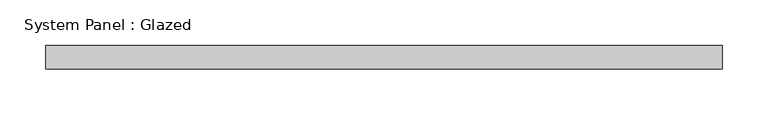
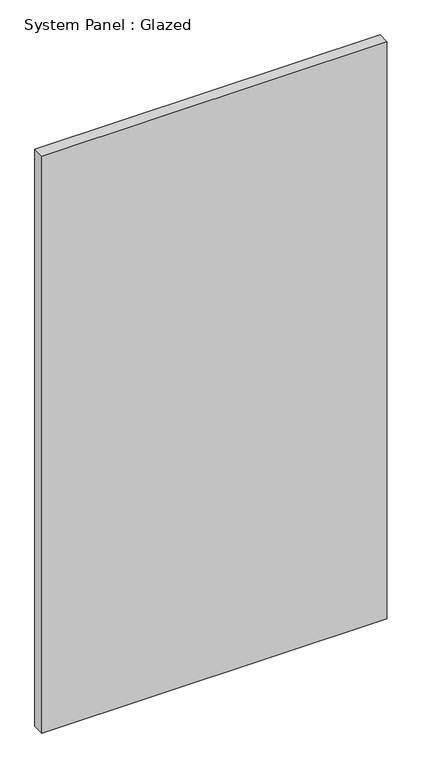
"""IFC4 building model written with IfcOpenShell, lengths in millimetres: plate geometry, System Panel : Glazed."""

from ifc_helpers import new_model, si_unit, origin, origin_with_axes, place, context, project, spatial, polyline, outline, extrude, source, transform, mapped, element, save


def system_panel_glazed_6de6b962(model_context):
    return source(origin(), model_context, "Body", "SweptSolid", [
        extrude(outline(polyline([(368.3, -12.7), (-368.3, -12.7), (-368.3, 12.7), (368.3, 12.7), (368.3, -12.7)])), origin_with_axes(), (0.0, 0.0, 1.0), 1301.75),
    ])


if __name__ == "__main__":
    model = new_model("IFC4")
    model_context = context("Model", 3, world=origin())
    ifc_project = project(units=[si_unit("LENGTHUNIT", "METRE", prefix="MILLI")], contexts=[model_context])
    site = spatial("IfcSite", under=ifc_project)
    building = spatial("IfcBuilding", under=site)
    placement = place(None, origin())
    system_panel_glazed_shape = system_panel_glazed_6de6b962(model_context)
    element("IfcPlate", 1, ObjectType="System Panel : Glazed", at=placement, inside=building, context=model_context, shape_type="MappedRepresentation", body=[
        mapped(system_panel_glazed_shape, transform((0.0, 0.0, 0.0), x_axis=(1.0, 0.0, 0.0), y_axis=(0.0, 1.0, 0.0), z_axis=(0.0, 0.0, 1.0))),
    ])
    save(model, "model.ifc")
